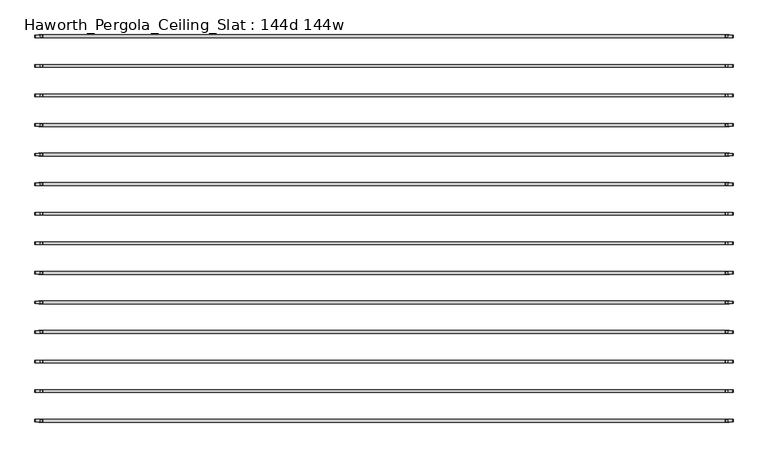
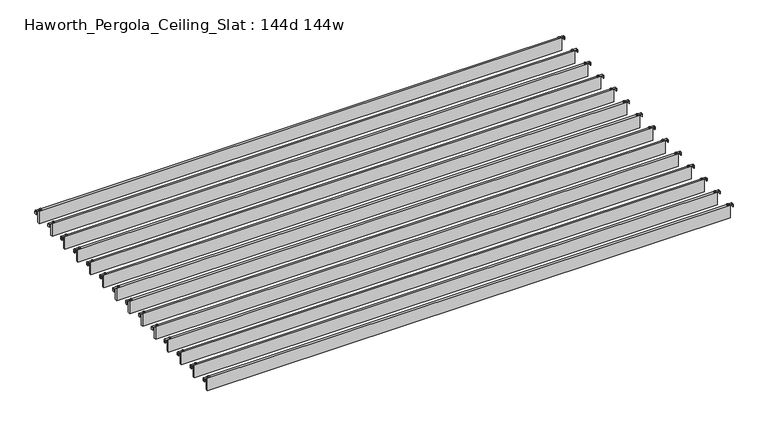
"""IFC4 building model written with IfcOpenShell, lengths in millimetres: furniture geometry, Haworth_Pergola_Ceiling_Slat : 144d 144w."""

import ifcopenshell
import ifcopenshell.guid

model = None  # the IFC model being written
_history = None  # IfcOwnerHistory: only IFC2X3 demands one
_inside = {}  # id of a spatial element -> (the spatial element, [elements in it])
_under = {}  # id of a project, library or spatial element -> (it, [spatial elements below it])
_declared = {}  # id of a project -> (the project, [libraries it declares])
_typed = {}  # id of a type object -> (the type object, [elements of that type])
_made_of = {}  # id of a material, layer set ... -> (it, [elements and type objects made of it])


def new_model(schema):
    """Start an empty IFC model of exactly this schema.

    Asked for "IFC4X3", IfcOpenShell would pick the latest addendum, in which some entities
    have other attributes; the version numbers below select the first issue.
    IFC2X3 requires an IfcOwnerHistory on every rooted entity: one is made here for all.
    """
    global model, _history
    if schema == "IFC4X3":
        model = ifcopenshell.file(schema_version=(4, 3, 0, 0))
    else:
        model = ifcopenshell.file(schema=schema)
    _inside.clear()
    _under.clear()
    _declared.clear()
    _typed.clear()
    _made_of.clear()
    _history = None
    if model.schema == "IFC2X3":
        org = make("IfcOrganization", Name="unknown")
        user = make(
            "IfcPersonAndOrganization",
            ThePerson=make("IfcPerson", FamilyName="unknown"),
            TheOrganization=org,
        )
        app = make(
            "IfcApplication",
            ApplicationDeveloper=org,
            Version="unknown",
            ApplicationFullName="unknown",
            ApplicationIdentifier="unknown",
        )
        _history = make(
            "IfcOwnerHistory",
            OwningUser=user,
            OwningApplication=app,
            ChangeAction="ADDED",
            CreationDate=0,
        )
    return model


def make(cls, **values):
    """One entity of the class cls with the attributes given. An attribute that is None is left unset."""
    return model.create_entity(
        cls, **{name: value for name, value in values.items() if value is not None}
    )


def rooted(cls, **values):
    """An entity with a GlobalId (a new one), such as an element, a storey or a relation."""
    return make(cls, GlobalId=ifcopenshell.guid.new(), OwnerHistory=_history, **values)


def si_unit(unit_type, name, prefix=None):
    """IfcSIUnit, for example si_unit("LENGTHUNIT", "METRE", prefix="MILLI")."""
    return make("IfcSIUnit", UnitType=unit_type, Prefix=prefix, Name=name)


def assignment(units):
    """IfcUnitAssignment: the units of a project."""
    return None if units is None else make("IfcUnitAssignment", Units=units)


def point(xyz):
    """IfcCartesianPoint."""
    return None if xyz is None else make("IfcCartesianPoint", Coordinates=xyz)


def direction(xyz):
    """IfcDirection."""
    return None if xyz is None else make("IfcDirection", DirectionRatios=xyz)


def frame(location, z_axis=None, x_axis=None):
    """IfcAxis2Placement3D, a coordinate frame: its origin and axes. An axis left out is left unset."""
    return make(
        "IfcAxis2Placement3D",
        Location=point(location),
        Axis=direction(z_axis),
        RefDirection=direction(x_axis),
    )


def frame_2d(location, x_axis=None):
    """IfcAxis2Placement2D, a coordinate frame in the plane: its origin and x axis."""
    return make(
        "IfcAxis2Placement2D", Location=point(location), RefDirection=direction(x_axis)
    )


def origin():
    """The frame at (0, 0, 0) with its axes left unset."""
    return frame((0.0, 0.0, 0.0))


def place(relative_to, where):
    """IfcLocalPlacement: puts the frame where relative to a parent placement (None: the world)."""
    return make(
        "IfcLocalPlacement", PlacementRelTo=relative_to, RelativePlacement=where
    )


def context(
    kind, dimensions, precision=None, world=None, true_north=None, identifier=None
):
    """IfcGeometricRepresentationContext, for example the 3D "Model" context."""
    return make(
        "IfcGeometricRepresentationContext",
        ContextIdentifier=identifier,
        ContextType=kind,
        CoordinateSpaceDimension=dimensions,
        Precision=precision,
        WorldCoordinateSystem=world,
        TrueNorth=true_north,
    )


def project(units=None, contexts=None):
    """IfcProject with its units and contexts."""
    return rooted(
        "IfcProject",
        Name="project",
        RepresentationContexts=contexts,
        UnitsInContext=assignment(units),
    )


def spatial(cls, under=None, at=None, **own):
    """A site, building, storey or space (cls), placed at a placement, below another one or the project."""
    s = rooted(cls, ObjectPlacement=at, **own)
    if under is not None:
        _under.setdefault(under.id(), (under, []))[1].append(s)
    return s


def polyline(points):
    """IfcPolyline through the points."""
    return make("IfcPolyline", Points=[point(p) for p in points])


def circle_curve(where, radius):
    """IfcCircle in the frame where."""
    return make("IfcCircle", Position=where, Radius=radius)


def trimmed(basis, trim1, trim2, sense, master):
    """IfcTrimmedCurve: the piece of a basis curve between two trims."""
    return make(
        "IfcTrimmedCurve",
        BasisCurve=basis,
        Trim1=trim1,
        Trim2=trim2,
        SenseAgreement=sense,
        MasterRepresentation=master,
    )


def segment(curve, same_sense, transition):
    """IfcCompositeCurveSegment."""
    return make(
        "IfcCompositeCurveSegment",
        Transition=transition,
        SameSense=same_sense,
        ParentCurve=curve,
    )


def composite_curve(segments, self_intersect=None):
    """IfcCompositeCurve: segments joined end to end."""
    return make("IfcCompositeCurve", Segments=segments, SelfIntersect=self_intersect)


def outline(outer, holes=None, kind="AREA"):
    """IfcArbitraryClosedProfileDef: a profile drawn as a closed curve; with holes, ...WithVoids."""
    if holes is None:
        return make("IfcArbitraryClosedProfileDef", ProfileType=kind, OuterCurve=outer)
    return make(
        "IfcArbitraryProfileDefWithVoids",
        ProfileType=kind,
        OuterCurve=outer,
        InnerCurves=holes,
    )


def extrude(swept, where, along, depth):
    """IfcExtrudedAreaSolid: the profile swept, set in the frame where, extruded along a direction by depth."""
    return make(
        "IfcExtrudedAreaSolid",
        SweptArea=swept,
        Position=where,
        ExtrudedDirection=direction(along),
        Depth=depth,
    )


def shape(context_of_items, identifier, shape_type, items):
    """IfcShapeRepresentation: the items that make up one representation, for example the "Body"."""
    return make(
        "IfcShapeRepresentation",
        ContextOfItems=context_of_items,
        RepresentationIdentifier=identifier,
        RepresentationType=shape_type,
        Items=items,
    )


def source(mapping_origin, context_of_items, identifier, shape_type, items):
    """IfcRepresentationMap: a shape defined once, which mapped items show again and again."""
    return make(
        "IfcRepresentationMap",
        MappingOrigin=mapping_origin,
        MappedRepresentation=shape(context_of_items, identifier, shape_type, items),
    )


def transform(
    local_origin,
    x_axis=None,
    y_axis=None,
    z_axis=None,
    scale=None,
    scale2=None,
    scale3=None,
    uniform=True,
):
    """IfcCartesianTransformationOperator3D, or its non-uniform kind. x_axis, y_axis, z_axis: its Axis1, 2, 3."""
    if uniform:
        return make(
            "IfcCartesianTransformationOperator3D",
            Axis1=direction(x_axis),
            Axis2=direction(y_axis),
            LocalOrigin=point(local_origin),
            Scale=scale,
            Axis3=direction(z_axis),
        )
    return make(
        "IfcCartesianTransformationOperator3DnonUniform",
        Axis1=direction(x_axis),
        Axis2=direction(y_axis),
        LocalOrigin=point(local_origin),
        Scale=scale,
        Axis3=direction(z_axis),
        Scale2=scale2,
        Scale3=scale3,
    )


def mapped(mapping_source, mapping_target):
    """IfcMappedItem: shows the shape of a source again, moved by a transform."""
    return make(
        "IfcMappedItem", MappingSource=mapping_source, MappingTarget=mapping_target
    )


def made_of(thing, what):
    """Note that an element or type object is made of a material, layer set ...; save() writes the relation."""
    if what is not None:
        _made_of.setdefault(what.id(), (what, []))[1].append(thing)
    return thing


def element(
    cls,
    number,
    at=None,
    inside=None,
    cuts=None,
    type_object=None,
    material=None,
    context=None,
    identifier="Body",
    shape_type=None,
    held_by="IfcProductDefinitionShape",
    body=None,
    shapes=None,
    **own,
):
    """One element of the class cls, such as IfcWall. Its Tag is "e" and its number.

    at: its placement. inside: the storey or other place that contains it. cuts: it is an
    opening in that element (IfcRelVoidsElement). A single representation is given by context,
    identifier, shape_type and body (its items); several are given by shapes. held_by: the class
    of the entity that holds the representations. save() writes the other relations.
    """
    e = rooted(cls, Tag="e%d" % number, ObjectPlacement=at, **own)
    if body is not None:
        shapes = [shape(context, identifier, shape_type, body)]
    if shapes is not None:
        e.Representation = make(held_by, Representations=shapes)
    if inside is not None:
        _inside.setdefault(inside.id(), (inside, []))[1].append(e)
    if cuts is not None:
        rooted(
            "IfcRelVoidsElement", RelatingBuildingElement=cuts, RelatedOpeningElement=e
        )
    if type_object is not None:
        _typed.setdefault(type_object.id(), (type_object, []))[1].append(e)
    return made_of(e, material)


def aggregate(whole, parts):
    """IfcRelAggregates: a whole, such as a stair, and the parts it consists of."""
    return rooted("IfcRelAggregates", RelatingObject=whole, RelatedObjects=parts)


def save(model, path):
    """Write the relations noted so far, then the file.

    IfcRelAggregates (storeys below a building ...), IfcRelContainedInSpatialStructure (elements
    in a storey), IfcRelDefinesByType, IfcRelAssociatesMaterial and IfcRelDeclares: one each for
    every whole, place, type object, material and project.
    """
    for whole, parts in _under.values():
        aggregate(whole, parts)
    for where, things in _inside.values():
        rooted(
            "IfcRelContainedInSpatialStructure",
            RelatedElements=things,
            RelatingStructure=where,
        )
    for kind, things in _typed.values():
        rooted("IfcRelDefinesByType", RelatedObjects=things, RelatingType=kind)
    for what, things in _made_of.values():
        rooted("IfcRelAssociatesMaterial", RelatedObjects=things, RelatingMaterial=what)
    for by, libraries in _declared.values():
        rooted("IfcRelDeclares", RelatingContext=by, RelatedDefinitions=libraries)
    model.write(path)


def haworth_pergola_ceiling_slat_144d_144w_cf5a7e63(model_context):
    return source(origin(), model_context, "Body", "SweptSolid", [
        extrude(outline(composite_curve([segment(trimmed(circle_curve(frame_2d((1853.2, 307.8756087)), 5.9838099), [point((1847.2161901, 307.8756087))], [point((1859.1838099, 307.8756087))], False, "CARTESIAN"), True, "CONTINUOUS"), segment(trimmed(circle_curve(frame_2d((1853.2, 307.8756087)), 5.9838099), [point((1859.1838099, 307.8756087))], [point((1847.2161901, 307.8756087))], False, "CARTESIAN"), True, "CONTINUOUS")], self_intersect=False)), frame((0.0, 0.0, 2440.9329992), z_axis=(0.0, 0.0, 1.0), x_axis=(1.0, 0.0, 0.0)), (0.0, 0.0, 1.0), 3.4400008),
        extrude(outline(composite_curve([segment(trimmed(circle_curve(frame_2d((-1777.0, 307.8756087)), 5.9838099), [point((-1771.0161901, 307.8756087))], [point((-1782.9838099, 307.8756087))], False, "CARTESIAN"), True, "CONTINUOUS"), segment(trimmed(circle_curve(frame_2d((-1777.0, 307.8756087)), 5.9838099), [point((-1782.9838099, 307.8756087))], [point((-1771.0161901, 307.8756087))], False, "CARTESIAN"), True, "CONTINUOUS")], self_intersect=False)), frame((0.0, 0.0, 2440.9329992), z_axis=(0.0, 0.0, 1.0), x_axis=(1.0, 0.0, 0.0)), (0.0, 0.0, 1.0), 3.4400008),
        extrude(outline(composite_curve([segment(polyline([(2419.2231711, 1887.36), (2437.2499992, 1887.36)]), True, "CONTINUOUS"), segment(trimmed(circle_curve(frame_2d((2437.2499992, 1883.677)), 3.683), [point((2437.2499992, 1887.36))], [point((2440.9329992, 1883.677))], False, "CARTESIAN"), True, "CONTINUOUS"), segment(polyline([(2440.9329992, 1883.677), (2440.9329992, 1846.7), (2438.2729997, 1846.7), (2438.2729997, 1883.6905568)]), True, "CONTINUOUS"), segment(trimmed(circle_curve(frame_2d((2437.2635571, 1883.6905568)), 1.0094425), [point((2438.2729997, 1883.6905568))], [point((2437.2635571, 1884.6999993))], True, "CARTESIAN"), True, "CONTINUOUS"), segment(polyline([(2437.2635571, 1884.6999993), (2419.2231711, 1884.6999993), (2419.2231711, 1887.36)]), True, "CONTINUOUS")], self_intersect=False)), frame((0.0, 301.3826084, 0.0), z_axis=(0.0, 1.0, 0.0), x_axis=(0.0, 0.0, 1.0)), (0.0, 0.0, 1.0), 13.0),
        extrude(outline(composite_curve([segment(polyline([(2419.2231711, -1811.16), (2419.2231711, -1808.4999993), (2437.2635571, -1808.4999993)]), True, "CONTINUOUS"), segment(trimmed(circle_curve(frame_2d((2437.2635571, -1807.4905568)), 1.0094425), [point((2437.2635571, -1808.4999993))], [point((2438.2729997, -1807.4905568))], True, "CARTESIAN"), True, "CONTINUOUS"), segment(polyline([(2438.2729997, -1807.4905568), (2438.2729997, -1770.5), (2440.9329992, -1770.5), (2440.9329992, -1807.477)]), True, "CONTINUOUS"), segment(trimmed(circle_curve(frame_2d((2437.2499992, -1807.477)), 3.683), [point((2440.9329992, -1807.477))], [point((2437.2499992, -1811.16))], False, "CARTESIAN"), True, "CONTINUOUS"), segment(polyline([(2437.2499992, -1811.16), (2419.2231711, -1811.16)]), True, "CONTINUOUS")], self_intersect=False)), frame((0.0, 301.3826084, 0.0), z_axis=(0.0, 1.0, 0.0), x_axis=(0.0, 0.0, 1.0)), (0.0, 0.0, 1.0), 13.0),
        extrude(outline(polyline([(-1790.7, 300.3826087), (-1790.7, 315.3686087), (1866.9, 315.3686087), (1866.9, 300.3826087), (-1790.7, 300.3826087)])), frame((0.0, 0.0, 2346.198), z_axis=(0.0, 0.0, 1.0), x_axis=(1.0, 0.0, 0.0)), (0.0, 0.0, 1.0), 92.202),
        extrude(outline(composite_curve([segment(trimmed(circle_curve(frame_2d((1853.2, 151.0582174)), 5.9838099), [point((1847.2161901, 151.0582174))], [point((1859.1838099, 151.0582174))], False, "CARTESIAN"), True, "CONTINUOUS"), segment(trimmed(circle_curve(frame_2d((1853.2, 151.0582174)), 5.9838099), [point((1859.1838099, 151.0582174))], [point((1847.2161901, 151.0582174))], False, "CARTESIAN"), True, "CONTINUOUS")], self_intersect=False)), frame((0.0, 0.0, 2440.9329992), z_axis=(0.0, 0.0, 1.0), x_axis=(1.0, 0.0, 0.0)), (0.0, 0.0, 1.0), 3.4400008),
        extrude(outline(composite_curve([segment(trimmed(circle_curve(frame_2d((-1777.0, 151.0582174)), 5.9838099), [point((-1771.0161901, 151.0582174))], [point((-1782.9838099, 151.0582174))], False, "CARTESIAN"), True, "CONTINUOUS"), segment(trimmed(circle_curve(frame_2d((-1777.0, 151.0582174)), 5.9838099), [point((-1782.9838099, 151.0582174))], [point((-1771.0161901, 151.0582174))], False, "CARTESIAN"), True, "CONTINUOUS")], self_intersect=False)), frame((0.0, 0.0, 2440.9329992), z_axis=(0.0, 0.0, 1.0), x_axis=(1.0, 0.0, 0.0)), (0.0, 0.0, 1.0), 3.4400008),
        extrude(outline(composite_curve([segment(polyline([(2419.2231711, 1887.36), (2437.2499992, 1887.36)]), True, "CONTINUOUS"), segment(trimmed(circle_curve(frame_2d((2437.2499992, 1883.677)), 3.683), [point((2437.2499992, 1887.36))], [point((2440.9329992, 1883.677))], False, "CARTESIAN"), True, "CONTINUOUS"), segment(polyline([(2440.9329992, 1883.677), (2440.9329992, 1846.7), (2438.2729997, 1846.7), (2438.2729997, 1883.6905568)]), True, "CONTINUOUS"), segment(trimmed(circle_curve(frame_2d((2437.2635571, 1883.6905568)), 1.0094425), [point((2438.2729997, 1883.6905568))], [point((2437.2635571, 1884.6999993))], True, "CARTESIAN"), True, "CONTINUOUS"), segment(polyline([(2437.2635571, 1884.6999993), (2419.2231711, 1884.6999993), (2419.2231711, 1887.36)]), True, "CONTINUOUS")], self_intersect=False)), frame((0.0, 144.5652171, 0.0), z_axis=(0.0, 1.0, 0.0), x_axis=(0.0, 0.0, 1.0)), (0.0, 0.0, 1.0), 13.0),
        extrude(outline(composite_curve([segment(polyline([(2419.2231711, -1811.16), (2419.2231711, -1808.4999993), (2437.2635571, -1808.4999993)]), True, "CONTINUOUS"), segment(trimmed(circle_curve(frame_2d((2437.2635571, -1807.4905568)), 1.0094425), [point((2437.2635571, -1808.4999993))], [point((2438.2729997, -1807.4905568))], True, "CARTESIAN"), True, "CONTINUOUS"), segment(polyline([(2438.2729997, -1807.4905568), (2438.2729997, -1770.5), (2440.9329992, -1770.5), (2440.9329992, -1807.477)]), True, "CONTINUOUS"), segment(trimmed(circle_curve(frame_2d((2437.2499992, -1807.477)), 3.683), [point((2440.9329992, -1807.477))], [point((2437.2499992, -1811.16))], False, "CARTESIAN"), True, "CONTINUOUS"), segment(polyline([(2437.2499992, -1811.16), (2419.2231711, -1811.16)]), True, "CONTINUOUS")], self_intersect=False)), frame((0.0, 144.5652171, 0.0), z_axis=(0.0, 1.0, 0.0), x_axis=(0.0, 0.0, 1.0)), (0.0, 0.0, 1.0), 13.0),
        extrude(outline(polyline([(-1790.7, 143.5652174), (-1790.7, 158.5512174), (1866.9, 158.5512174), (1866.9, 143.5652174), (-1790.7, 143.5652174)])), frame((0.0, 0.0, 2346.198), z_axis=(0.0, 0.0, 1.0), x_axis=(1.0, 0.0, 0.0)), (0.0, 0.0, 1.0), 92.202),
        extrude(outline(composite_curve([segment(trimmed(circle_curve(frame_2d((1853.2, -5.7591739)), 5.9838099), [point((1847.2161901, -5.7591739))], [point((1859.1838099, -5.7591739))], False, "CARTESIAN"), True, "CONTINUOUS"), segment(trimmed(circle_curve(frame_2d((1853.2, -5.7591739)), 5.9838099), [point((1859.1838099, -5.7591739))], [point((1847.2161901, -5.7591739))], False, "CARTESIAN"), True, "CONTINUOUS")], self_intersect=False)), frame((0.0, 0.0, 2440.9329992), z_axis=(0.0, 0.0, 1.0), x_axis=(1.0, 0.0, 0.0)), (0.0, 0.0, 1.0), 3.4400008),
        extrude(outline(composite_curve([segment(trimmed(circle_curve(frame_2d((-1777.0, -5.7591739)), 5.9838099), [point((-1771.0161901, -5.7591739))], [point((-1782.9838099, -5.7591739))], False, "CARTESIAN"), True, "CONTINUOUS"), segment(trimmed(circle_curve(frame_2d((-1777.0, -5.7591739)), 5.9838099), [point((-1782.9838099, -5.7591739))], [point((-1771.0161901, -5.7591739))], False, "CARTESIAN"), True, "CONTINUOUS")], self_intersect=False)), frame((0.0, 0.0, 2440.9329992), z_axis=(0.0, 0.0, 1.0), x_axis=(1.0, 0.0, 0.0)), (0.0, 0.0, 1.0), 3.4400008),
        extrude(outline(composite_curve([segment(polyline([(2419.2231711, 1887.36), (2437.2499992, 1887.36)]), True, "CONTINUOUS"), segment(trimmed(circle_curve(frame_2d((2437.2499992, 1883.677)), 3.683), [point((2437.2499992, 1887.36))], [point((2440.9329992, 1883.677))], False, "CARTESIAN"), True, "CONTINUOUS"), segment(polyline([(2440.9329992, 1883.677), (2440.9329992, 1846.7), (2438.2729997, 1846.7), (2438.2729997, 1883.6905568)]), True, "CONTINUOUS"), segment(trimmed(circle_curve(frame_2d((2437.2635571, 1883.6905568)), 1.0094425), [point((2438.2729997, 1883.6905568))], [point((2437.2635571, 1884.6999993))], True, "CARTESIAN"), True, "CONTINUOUS"), segment(polyline([(2437.2635571, 1884.6999993), (2419.2231711, 1884.6999993), (2419.2231711, 1887.36)]), True, "CONTINUOUS")], self_intersect=False)), frame((0.0, -12.2521743, 0.0), z_axis=(0.0, 1.0, 0.0), x_axis=(0.0, 0.0, 1.0)), (0.0, 0.0, 1.0), 13.0),
        extrude(outline(composite_curve([segment(polyline([(2419.2231711, -1811.16), (2419.2231711, -1808.4999993), (2437.2635571, -1808.4999993)]), True, "CONTINUOUS"), segment(trimmed(circle_curve(frame_2d((2437.2635571, -1807.4905568)), 1.0094425), [point((2437.2635571, -1808.4999993))], [point((2438.2729997, -1807.4905568))], True, "CARTESIAN"), True, "CONTINUOUS"), segment(polyline([(2438.2729997, -1807.4905568), (2438.2729997, -1770.5), (2440.9329992, -1770.5), (2440.9329992, -1807.477)]), True, "CONTINUOUS"), segment(trimmed(circle_curve(frame_2d((2437.2499992, -1807.477)), 3.683), [point((2440.9329992, -1807.477))], [point((2437.2499992, -1811.16))], False, "CARTESIAN"), True, "CONTINUOUS"), segment(polyline([(2437.2499992, -1811.16), (2419.2231711, -1811.16)]), True, "CONTINUOUS")], self_intersect=False)), frame((0.0, -12.2521743, 0.0), z_axis=(0.0, 1.0, 0.0), x_axis=(0.0, 0.0, 1.0)), (0.0, 0.0, 1.0), 13.0),
        extrude(outline(polyline([(-1790.7, -13.2521739), (-1790.7, 1.7338261), (1866.9, 1.7338261), (1866.9, -13.2521739), (-1790.7, -13.2521739)])), frame((0.0, 0.0, 2346.198), z_axis=(0.0, 0.0, 1.0), x_axis=(1.0, 0.0, 0.0)), (0.0, 0.0, 1.0), 92.202),
        extrude(outline(composite_curve([segment(trimmed(circle_curve(frame_2d((1853.2, -162.5765652)), 5.9838099), [point((1847.2161901, -162.5765652))], [point((1859.1838099, -162.5765652))], False, "CARTESIAN"), True, "CONTINUOUS"), segment(trimmed(circle_curve(frame_2d((1853.2, -162.5765652)), 5.9838099), [point((1859.1838099, -162.5765652))], [point((1847.2161901, -162.5765652))], False, "CARTESIAN"), True, "CONTINUOUS")], self_intersect=False)), frame((0.0, 0.0, 2440.9329992), z_axis=(0.0, 0.0, 1.0), x_axis=(1.0, 0.0, 0.0)), (0.0, 0.0, 1.0), 3.4400008),
        extrude(outline(composite_curve([segment(trimmed(circle_curve(frame_2d((-1777.0, -162.5765652)), 5.9838099), [point((-1771.0161901, -162.5765652))], [point((-1782.9838099, -162.5765652))], False, "CARTESIAN"), True, "CONTINUOUS"), segment(trimmed(circle_curve(frame_2d((-1777.0, -162.5765652)), 5.9838099), [point((-1782.9838099, -162.5765652))], [point((-1771.0161901, -162.5765652))], False, "CARTESIAN"), True, "CONTINUOUS")], self_intersect=False)), frame((0.0, 0.0, 2440.9329992), z_axis=(0.0, 0.0, 1.0), x_axis=(1.0, 0.0, 0.0)), (0.0, 0.0, 1.0), 3.4400008),
        extrude(outline(composite_curve([segment(polyline([(2419.2231711, 1887.36), (2437.2499992, 1887.36)]), True, "CONTINUOUS"), segment(trimmed(circle_curve(frame_2d((2437.2499992, 1883.677)), 3.683), [point((2437.2499992, 1887.36))], [point((2440.9329992, 1883.677))], False, "CARTESIAN"), True, "CONTINUOUS"), segment(polyline([(2440.9329992, 1883.677), (2440.9329992, 1846.7), (2438.2729997, 1846.7), (2438.2729997, 1883.6905568)]), True, "CONTINUOUS"), segment(trimmed(circle_curve(frame_2d((2437.2635571, 1883.6905568)), 1.0094425), [point((2438.2729997, 1883.6905568))], [point((2437.2635571, 1884.6999993))], True, "CARTESIAN"), True, "CONTINUOUS"), segment(polyline([(2437.2635571, 1884.6999993), (2419.2231711, 1884.6999993), (2419.2231711, 1887.36)]), True, "CONTINUOUS")], self_intersect=False)), frame((0.0, -169.0695656, 0.0), z_axis=(0.0, 1.0, 0.0), x_axis=(0.0, 0.0, 1.0)), (0.0, 0.0, 1.0), 13.0),
        extrude(outline(composite_curve([segment(polyline([(2419.2231711, -1811.16), (2419.2231711, -1808.4999993), (2437.2635571, -1808.4999993)]), True, "CONTINUOUS"), segment(trimmed(circle_curve(frame_2d((2437.2635571, -1807.4905568)), 1.0094425), [point((2437.2635571, -1808.4999993))], [point((2438.2729997, -1807.4905568))], True, "CARTESIAN"), True, "CONTINUOUS"), segment(polyline([(2438.2729997, -1807.4905568), (2438.2729997, -1770.5), (2440.9329992, -1770.5), (2440.9329992, -1807.477)]), True, "CONTINUOUS"), segment(trimmed(circle_curve(frame_2d((2437.2499992, -1807.477)), 3.683), [point((2440.9329992, -1807.477))], [point((2437.2499992, -1811.16))], False, "CARTESIAN"), True, "CONTINUOUS"), segment(polyline([(2437.2499992, -1811.16), (2419.2231711, -1811.16)]), True, "CONTINUOUS")], self_intersect=False)), frame((0.0, -169.0695656, 0.0), z_axis=(0.0, 1.0, 0.0), x_axis=(0.0, 0.0, 1.0)), (0.0, 0.0, 1.0), 13.0),
        extrude(outline(polyline([(-1790.7, -170.0695652), (-1790.7, -155.0835652), (1866.9, -155.0835652), (1866.9, -170.0695652), (-1790.7, -170.0695652)])), frame((0.0, 0.0, 2346.198), z_axis=(0.0, 0.0, 1.0), x_axis=(1.0, 0.0, 0.0)), (0.0, 0.0, 1.0), 92.202),
        extrude(outline(composite_curve([segment(trimmed(circle_curve(frame_2d((1853.2, -319.3939565)), 5.9838099), [point((1847.2161901, -319.3939565))], [point((1859.1838099, -319.3939565))], False, "CARTESIAN"), True, "CONTINUOUS"), segment(trimmed(circle_curve(frame_2d((1853.2, -319.3939565)), 5.9838099), [point((1859.1838099, -319.3939565))], [point((1847.2161901, -319.3939565))], False, "CARTESIAN"), True, "CONTINUOUS")], self_intersect=False)), frame((0.0, 0.0, 2440.9329992), z_axis=(0.0, 0.0, 1.0), x_axis=(1.0, 0.0, 0.0)), (0.0, 0.0, 1.0), 3.4400008),
        extrude(outline(composite_curve([segment(trimmed(circle_curve(frame_2d((-1777.0, -319.3939565)), 5.9838099), [point((-1771.0161901, -319.3939565))], [point((-1782.9838099, -319.3939565))], False, "CARTESIAN"), True, "CONTINUOUS"), segment(trimmed(circle_curve(frame_2d((-1777.0, -319.3939565)), 5.9838099), [point((-1782.9838099, -319.3939565))], [point((-1771.0161901, -319.3939565))], False, "CARTESIAN"), True, "CONTINUOUS")], self_intersect=False)), frame((0.0, 0.0, 2440.9329992), z_axis=(0.0, 0.0, 1.0), x_axis=(1.0, 0.0, 0.0)), (0.0, 0.0, 1.0), 3.4400008),
        extrude(outline(composite_curve([segment(polyline([(2419.2231711, 1887.36), (2437.2499992, 1887.36)]), True, "CONTINUOUS"), segment(trimmed(circle_curve(frame_2d((2437.2499992, 1883.677)), 3.683), [point((2437.2499992, 1887.36))], [point((2440.9329992, 1883.677))], False, "CARTESIAN"), True, "CONTINUOUS"), segment(polyline([(2440.9329992, 1883.677), (2440.9329992, 1846.7), (2438.2729997, 1846.7), (2438.2729997, 1883.6905568)]), True, "CONTINUOUS"), segment(trimmed(circle_curve(frame_2d((2437.2635571, 1883.6905568)), 1.0094425), [point((2438.2729997, 1883.6905568))], [point((2437.2635571, 1884.6999993))], True, "CARTESIAN"), True, "CONTINUOUS"), segment(polyline([(2437.2635571, 1884.6999993), (2419.2231711, 1884.6999993), (2419.2231711, 1887.36)]), True, "CONTINUOUS")], self_intersect=False)), frame((0.0, -325.8869569, 0.0), z_axis=(0.0, 1.0, 0.0), x_axis=(0.0, 0.0, 1.0)), (0.0, 0.0, 1.0), 13.0),
        extrude(outline(composite_curve([segment(polyline([(2419.2231711, -1811.16), (2419.2231711, -1808.4999993), (2437.2635571, -1808.4999993)]), True, "CONTINUOUS"), segment(trimmed(circle_curve(frame_2d((2437.2635571, -1807.4905568)), 1.0094425), [point((2437.2635571, -1808.4999993))], [point((2438.2729997, -1807.4905568))], True, "CARTESIAN"), True, "CONTINUOUS"), segment(polyline([(2438.2729997, -1807.4905568), (2438.2729997, -1770.5), (2440.9329992, -1770.5), (2440.9329992, -1807.477)]), True, "CONTINUOUS"), segment(trimmed(circle_curve(frame_2d((2437.2499992, -1807.477)), 3.683), [point((2440.9329992, -1807.477))], [point((2437.2499992, -1811.16))], False, "CARTESIAN"), True, "CONTINUOUS"), segment(polyline([(2437.2499992, -1811.16), (2419.2231711, -1811.16)]), True, "CONTINUOUS")], self_intersect=False)), frame((0.0, -325.8869569, 0.0), z_axis=(0.0, 1.0, 0.0), x_axis=(0.0, 0.0, 1.0)), (0.0, 0.0, 1.0), 13.0),
        extrude(outline(polyline([(-1790.7, -326.8869565), (-1790.7, -311.9009565), (1866.9, -311.9009565), (1866.9, -326.8869565), (-1790.7, -326.8869565)])), frame((0.0, 0.0, 2346.198), z_axis=(0.0, 0.0, 1.0), x_axis=(1.0, 0.0, 0.0)), (0.0, 0.0, 1.0), 92.202),
        extrude(outline(composite_curve([segment(trimmed(circle_curve(frame_2d((1853.2, -476.2113478)), 5.9838099), [point((1847.2161901, -476.2113478))], [point((1859.1838099, -476.2113478))], False, "CARTESIAN"), True, "CONTINUOUS"), segment(trimmed(circle_curve(frame_2d((1853.2, -476.2113478)), 5.9838099), [point((1859.1838099, -476.2113478))], [point((1847.2161901, -476.2113478))], False, "CARTESIAN"), True, "CONTINUOUS")], self_intersect=False)), frame((0.0, 0.0, 2440.9329992), z_axis=(0.0, 0.0, 1.0), x_axis=(1.0, 0.0, 0.0)), (0.0, 0.0, 1.0), 3.4400008),
        extrude(outline(composite_curve([segment(trimmed(circle_curve(frame_2d((-1777.0, -476.2113478)), 5.9838099), [point((-1771.0161901, -476.2113478))], [point((-1782.9838099, -476.2113478))], False, "CARTESIAN"), True, "CONTINUOUS"), segment(trimmed(circle_curve(frame_2d((-1777.0, -476.2113478)), 5.9838099), [point((-1782.9838099, -476.2113478))], [point((-1771.0161901, -476.2113478))], False, "CARTESIAN"), True, "CONTINUOUS")], self_intersect=False)), frame((0.0, 0.0, 2440.9329992), z_axis=(0.0, 0.0, 1.0), x_axis=(1.0, 0.0, 0.0)), (0.0, 0.0, 1.0), 3.4400008),
        extrude(outline(composite_curve([segment(polyline([(2419.2231711, 1887.36), (2437.2499992, 1887.36)]), True, "CONTINUOUS"), segment(trimmed(circle_curve(frame_2d((2437.2499992, 1883.677)), 3.683), [point((2437.2499992, 1887.36))], [point((2440.9329992, 1883.677))], False, "CARTESIAN"), True, "CONTINUOUS"), segment(polyline([(2440.9329992, 1883.677), (2440.9329992, 1846.7), (2438.2729997, 1846.7), (2438.2729997, 1883.6905568)]), True, "CONTINUOUS"), segment(trimmed(circle_curve(frame_2d((2437.2635571, 1883.6905568)), 1.0094425), [point((2438.2729997, 1883.6905568))], [point((2437.2635571, 1884.6999993))], True, "CARTESIAN"), True, "CONTINUOUS"), segment(polyline([(2437.2635571, 1884.6999993), (2419.2231711, 1884.6999993), (2419.2231711, 1887.36)]), True, "CONTINUOUS")], self_intersect=False)), frame((0.0, -482.7043482, 0.0), z_axis=(0.0, 1.0, 0.0), x_axis=(0.0, 0.0, 1.0)), (0.0, 0.0, 1.0), 13.0),
        extrude(outline(composite_curve([segment(polyline([(2419.2231711, -1811.16), (2419.2231711, -1808.4999993), (2437.2635571, -1808.4999993)]), True, "CONTINUOUS"), segment(trimmed(circle_curve(frame_2d((2437.2635571, -1807.4905568)), 1.0094425), [point((2437.2635571, -1808.4999993))], [point((2438.2729997, -1807.4905568))], True, "CARTESIAN"), True, "CONTINUOUS"), segment(polyline([(2438.2729997, -1807.4905568), (2438.2729997, -1770.5), (2440.9329992, -1770.5), (2440.9329992, -1807.477)]), True, "CONTINUOUS"), segment(trimmed(circle_curve(frame_2d((2437.2499992, -1807.477)), 3.683), [point((2440.9329992, -1807.477))], [point((2437.2499992, -1811.16))], False, "CARTESIAN"), True, "CONTINUOUS"), segment(polyline([(2437.2499992, -1811.16), (2419.2231711, -1811.16)]), True, "CONTINUOUS")], self_intersect=False)), frame((0.0, -482.7043482, 0.0), z_axis=(0.0, 1.0, 0.0), x_axis=(0.0, 0.0, 1.0)), (0.0, 0.0, 1.0), 13.0),
        extrude(outline(polyline([(-1790.7, -483.7043478), (-1790.7, -468.7183478), (1866.9, -468.7183478), (1866.9, -483.7043478), (-1790.7, -483.7043478)])), frame((0.0, 0.0, 2346.198), z_axis=(0.0, 0.0, 1.0), x_axis=(1.0, 0.0, 0.0)), (0.0, 0.0, 1.0), 92.202),
        extrude(outline(composite_curve([segment(trimmed(circle_curve(frame_2d((1853.2, -633.0287391)), 5.9838099), [point((1847.2161901, -633.0287391))], [point((1859.1838099, -633.0287391))], False, "CARTESIAN"), True, "CONTINUOUS"), segment(trimmed(circle_curve(frame_2d((1853.2, -633.0287391)), 5.9838099), [point((1859.1838099, -633.0287391))], [point((1847.2161901, -633.0287391))], False, "CARTESIAN"), True, "CONTINUOUS")], self_intersect=False)), frame((0.0, 0.0, 2440.9329992), z_axis=(0.0, 0.0, 1.0), x_axis=(1.0, 0.0, 0.0)), (0.0, 0.0, 1.0), 3.4400008),
        extrude(outline(composite_curve([segment(trimmed(circle_curve(frame_2d((-1777.0, -633.0287391)), 5.9838099), [point((-1771.0161901, -633.0287391))], [point((-1782.9838099, -633.0287391))], False, "CARTESIAN"), True, "CONTINUOUS"), segment(trimmed(circle_curve(frame_2d((-1777.0, -633.0287391)), 5.9838099), [point((-1782.9838099, -633.0287391))], [point((-1771.0161901, -633.0287391))], False, "CARTESIAN"), True, "CONTINUOUS")], self_intersect=False)), frame((0.0, 0.0, 2440.9329992), z_axis=(0.0, 0.0, 1.0), x_axis=(1.0, 0.0, 0.0)), (0.0, 0.0, 1.0), 3.4400008),
        extrude(outline(composite_curve([segment(polyline([(2419.2231711, 1887.36), (2437.2499992, 1887.36)]), True, "CONTINUOUS"), segment(trimmed(circle_curve(frame_2d((2437.2499992, 1883.677)), 3.683), [point((2437.2499992, 1887.36))], [point((2440.9329992, 1883.677))], False, "CARTESIAN"), True, "CONTINUOUS"), segment(polyline([(2440.9329992, 1883.677), (2440.9329992, 1846.7), (2438.2729997, 1846.7), (2438.2729997, 1883.6905568)]), True, "CONTINUOUS"), segment(trimmed(circle_curve(frame_2d((2437.2635571, 1883.6905568)), 1.0094425), [point((2438.2729997, 1883.6905568))], [point((2437.2635571, 1884.6999993))], True, "CARTESIAN"), True, "CONTINUOUS"), segment(polyline([(2437.2635571, 1884.6999993), (2419.2231711, 1884.6999993), (2419.2231711, 1887.36)]), True, "CONTINUOUS")], self_intersect=False)), frame((0.0, -639.5217395, 0.0), z_axis=(0.0, 1.0, 0.0), x_axis=(0.0, 0.0, 1.0)), (0.0, 0.0, 1.0), 13.0),
        extrude(outline(composite_curve([segment(polyline([(2419.2231711, -1811.16), (2419.2231711, -1808.4999993), (2437.2635571, -1808.4999993)]), True, "CONTINUOUS"), segment(trimmed(circle_curve(frame_2d((2437.2635571, -1807.4905568)), 1.0094425), [point((2437.2635571, -1808.4999993))], [point((2438.2729997, -1807.4905568))], True, "CARTESIAN"), True, "CONTINUOUS"), segment(polyline([(2438.2729997, -1807.4905568), (2438.2729997, -1770.5), (2440.9329992, -1770.5), (2440.9329992, -1807.477)]), True, "CONTINUOUS"), segment(trimmed(circle_curve(frame_2d((2437.2499992, -1807.477)), 3.683), [point((2440.9329992, -1807.477))], [point((2437.2499992, -1811.16))], False, "CARTESIAN"), True, "CONTINUOUS"), segment(polyline([(2437.2499992, -1811.16), (2419.2231711, -1811.16)]), True, "CONTINUOUS")], self_intersect=False)), frame((0.0, -639.5217395, 0.0), z_axis=(0.0, 1.0, 0.0), x_axis=(0.0, 0.0, 1.0)), (0.0, 0.0, 1.0), 13.0),
        extrude(outline(polyline([(-1790.7, -640.5217391), (-1790.7, -625.5357391), (1866.9, -625.5357391), (1866.9, -640.5217391), (-1790.7, -640.5217391)])), frame((0.0, 0.0, 2346.198), z_axis=(0.0, 0.0, 1.0), x_axis=(1.0, 0.0, 0.0)), (0.0, 0.0, 1.0), 92.202),
        extrude(outline(composite_curve([segment(trimmed(circle_curve(frame_2d((1853.2, -789.8461304)), 5.9838099), [point((1847.2161901, -789.8461304))], [point((1859.1838099, -789.8461304))], False, "CARTESIAN"), True, "CONTINUOUS"), segment(trimmed(circle_curve(frame_2d((1853.2, -789.8461304)), 5.9838099), [point((1859.1838099, -789.8461304))], [point((1847.2161901, -789.8461304))], False, "CARTESIAN"), True, "CONTINUOUS")], self_intersect=False)), frame((0.0, 0.0, 2440.9329992), z_axis=(0.0, 0.0, 1.0), x_axis=(1.0, 0.0, 0.0)), (0.0, 0.0, 1.0), 3.4400008),
        extrude(outline(composite_curve([segment(trimmed(circle_curve(frame_2d((-1777.0, -789.8461304)), 5.9838099), [point((-1771.0161901, -789.8461304))], [point((-1782.9838099, -789.8461304))], False, "CARTESIAN"), True, "CONTINUOUS"), segment(trimmed(circle_curve(frame_2d((-1777.0, -789.8461304)), 5.9838099), [point((-1782.9838099, -789.8461304))], [point((-1771.0161901, -789.8461304))], False, "CARTESIAN"), True, "CONTINUOUS")], self_intersect=False)), frame((0.0, 0.0, 2440.9329992), z_axis=(0.0, 0.0, 1.0), x_axis=(1.0, 0.0, 0.0)), (0.0, 0.0, 1.0), 3.4400008),
        extrude(outline(composite_curve([segment(polyline([(2419.2231711, 1887.36), (2437.2499992, 1887.36)]), True, "CONTINUOUS"), segment(trimmed(circle_curve(frame_2d((2437.2499992, 1883.677)), 3.683), [point((2437.2499992, 1887.36))], [point((2440.9329992, 1883.677))], False, "CARTESIAN"), True, "CONTINUOUS"), segment(polyline([(2440.9329992, 1883.677), (2440.9329992, 1846.7), (2438.2729997, 1846.7), (2438.2729997, 1883.6905568)]), True, "CONTINUOUS"), segment(trimmed(circle_curve(frame_2d((2437.2635571, 1883.6905568)), 1.0094425), [point((2438.2729997, 1883.6905568))], [point((2437.2635571, 1884.6999993))], True, "CARTESIAN"), True, "CONTINUOUS"), segment(polyline([(2437.2635571, 1884.6999993), (2419.2231711, 1884.6999993), (2419.2231711, 1887.36)]), True, "CONTINUOUS")], self_intersect=False)), frame((0.0, -796.3391308, 0.0), z_axis=(0.0, 1.0, 0.0), x_axis=(0.0, 0.0, 1.0)), (0.0, 0.0, 1.0), 13.0),
        extrude(outline(composite_curve([segment(polyline([(2419.2231711, -1811.16), (2419.2231711, -1808.4999993), (2437.2635571, -1808.4999993)]), True, "CONTINUOUS"), segment(trimmed(circle_curve(frame_2d((2437.2635571, -1807.4905568)), 1.0094425), [point((2437.2635571, -1808.4999993))], [point((2438.2729997, -1807.4905568))], True, "CARTESIAN"), True, "CONTINUOUS"), segment(polyline([(2438.2729997, -1807.4905568), (2438.2729997, -1770.5), (2440.9329992, -1770.5), (2440.9329992, -1807.477)]), True, "CONTINUOUS"), segment(trimmed(circle_curve(frame_2d((2437.2499992, -1807.477)), 3.683), [point((2440.9329992, -1807.477))], [point((2437.2499992, -1811.16))], False, "CARTESIAN"), True, "CONTINUOUS"), segment(polyline([(2437.2499992, -1811.16), (2419.2231711, -1811.16)]), True, "CONTINUOUS")], self_intersect=False)), frame((0.0, -796.3391308, 0.0), z_axis=(0.0, 1.0, 0.0), x_axis=(0.0, 0.0, 1.0)), (0.0, 0.0, 1.0), 13.0),
        extrude(outline(polyline([(-1790.7, -797.3391304), (-1790.7, -782.3531304), (1866.9, -782.3531304), (1866.9, -797.3391304), (-1790.7, -797.3391304)])), frame((0.0, 0.0, 2346.198), z_axis=(0.0, 0.0, 1.0), x_axis=(1.0, 0.0, 0.0)), (0.0, 0.0, 1.0), 92.202),
        extrude(outline(composite_curve([segment(trimmed(circle_curve(frame_2d((1853.2, -946.6635217)), 5.9838099), [point((1847.2161901, -946.6635217))], [point((1859.1838099, -946.6635217))], False, "CARTESIAN"), True, "CONTINUOUS"), segment(trimmed(circle_curve(frame_2d((1853.2, -946.6635217)), 5.9838099), [point((1859.1838099, -946.6635217))], [point((1847.2161901, -946.6635217))], False, "CARTESIAN"), True, "CONTINUOUS")], self_intersect=False)), frame((0.0, 0.0, 2440.9329992), z_axis=(0.0, 0.0, 1.0), x_axis=(1.0, 0.0, 0.0)), (0.0, 0.0, 1.0), 3.4400008),
        extrude(outline(composite_curve([segment(trimmed(circle_curve(frame_2d((-1777.0, -946.6635217)), 5.9838099), [point((-1771.0161901, -946.6635217))], [point((-1782.9838099, -946.6635217))], False, "CARTESIAN"), True, "CONTINUOUS"), segment(trimmed(circle_curve(frame_2d((-1777.0, -946.6635217)), 5.9838099), [point((-1782.9838099, -946.6635217))], [point((-1771.0161901, -946.6635217))], False, "CARTESIAN"), True, "CONTINUOUS")], self_intersect=False)), frame((0.0, 0.0, 2440.9329992), z_axis=(0.0, 0.0, 1.0), x_axis=(1.0, 0.0, 0.0)), (0.0, 0.0, 1.0), 3.4400008),
        extrude(outline(composite_curve([segment(polyline([(2419.2231711, 1887.36), (2437.2499992, 1887.36)]), True, "CONTINUOUS"), segment(trimmed(circle_curve(frame_2d((2437.2499992, 1883.677)), 3.683), [point((2437.2499992, 1887.36))], [point((2440.9329992, 1883.677))], False, "CARTESIAN"), True, "CONTINUOUS"), segment(polyline([(2440.9329992, 1883.677), (2440.9329992, 1846.7), (2438.2729997, 1846.7), (2438.2729997, 1883.6905568)]), True, "CONTINUOUS"), segment(trimmed(circle_curve(frame_2d((2437.2635571, 1883.6905568)), 1.0094425), [point((2438.2729997, 1883.6905568))], [point((2437.2635571, 1884.6999993))], True, "CARTESIAN"), True, "CONTINUOUS"), segment(polyline([(2437.2635571, 1884.6999993), (2419.2231711, 1884.6999993), (2419.2231711, 1887.36)]), True, "CONTINUOUS")], self_intersect=False)), frame((0.0, -953.1565221, 0.0), z_axis=(0.0, 1.0, 0.0), x_axis=(0.0, 0.0, 1.0)), (0.0, 0.0, 1.0), 13.0),
        extrude(outline(composite_curve([segment(polyline([(2419.2231711, -1811.16), (2419.2231711, -1808.4999993), (2437.2635571, -1808.4999993)]), True, "CONTINUOUS"), segment(trimmed(circle_curve(frame_2d((2437.2635571, -1807.4905568)), 1.0094425), [point((2437.2635571, -1808.4999993))], [point((2438.2729997, -1807.4905568))], True, "CARTESIAN"), True, "CONTINUOUS"), segment(polyline([(2438.2729997, -1807.4905568), (2438.2729997, -1770.5), (2440.9329992, -1770.5), (2440.9329992, -1807.477)]), True, "CONTINUOUS"), segment(trimmed(circle_curve(frame_2d((2437.2499992, -1807.477)), 3.683), [point((2440.9329992, -1807.477))], [point((2437.2499992, -1811.16))], False, "CARTESIAN"), True, "CONTINUOUS"), segment(polyline([(2437.2499992, -1811.16), (2419.2231711, -1811.16)]), True, "CONTINUOUS")], self_intersect=False)), frame((0.0, -953.1565221, 0.0), z_axis=(0.0, 1.0, 0.0), x_axis=(0.0, 0.0, 1.0)), (0.0, 0.0, 1.0), 13.0),
        extrude(outline(polyline([(-1790.7, -954.1565217), (-1790.7, -939.1705217), (1866.9, -939.1705217), (1866.9, -954.1565217), (-1790.7, -954.1565217)])), frame((0.0, 0.0, 2346.198), z_axis=(0.0, 0.0, 1.0), x_axis=(1.0, 0.0, 0.0)), (0.0, 0.0, 1.0), 92.202),
        extrude(outline(composite_curve([segment(trimmed(circle_curve(frame_2d((1853.2, -1103.480913)), 5.9838099), [point((1847.2161901, -1103.480913))], [point((1859.1838099, -1103.480913))], False, "CARTESIAN"), True, "CONTINUOUS"), segment(trimmed(circle_curve(frame_2d((1853.2, -1103.480913)), 5.9838099), [point((1859.1838099, -1103.480913))], [point((1847.2161901, -1103.480913))], False, "CARTESIAN"), True, "CONTINUOUS")], self_intersect=False)), frame((0.0, 0.0, 2440.9329992), z_axis=(0.0, 0.0, 1.0), x_axis=(1.0, 0.0, 0.0)), (0.0, 0.0, 1.0), 3.4400008),
        extrude(outline(composite_curve([segment(trimmed(circle_curve(frame_2d((-1777.0, -1103.480913)), 5.9838099), [point((-1771.0161901, -1103.480913))], [point((-1782.9838099, -1103.480913))], False, "CARTESIAN"), True, "CONTINUOUS"), segment(trimmed(circle_curve(frame_2d((-1777.0, -1103.480913)), 5.9838099), [point((-1782.9838099, -1103.480913))], [point((-1771.0161901, -1103.480913))], False, "CARTESIAN"), True, "CONTINUOUS")], self_intersect=False)), frame((0.0, 0.0, 2440.9329992), z_axis=(0.0, 0.0, 1.0), x_axis=(1.0, 0.0, 0.0)), (0.0, 0.0, 1.0), 3.4400008),
        extrude(outline(composite_curve([segment(polyline([(2419.2231711, 1887.36), (2437.2499992, 1887.36)]), True, "CONTINUOUS"), segment(trimmed(circle_curve(frame_2d((2437.2499992, 1883.677)), 3.683), [point((2437.2499992, 1887.36))], [point((2440.9329992, 1883.677))], False, "CARTESIAN"), True, "CONTINUOUS"), segment(polyline([(2440.9329992, 1883.677), (2440.9329992, 1846.7), (2438.2729997, 1846.7), (2438.2729997, 1883.6905568)]), True, "CONTINUOUS"), segment(trimmed(circle_curve(frame_2d((2437.2635571, 1883.6905568)), 1.0094425), [point((2438.2729997, 1883.6905568))], [point((2437.2635571, 1884.6999993))], True, "CARTESIAN"), True, "CONTINUOUS"), segment(polyline([(2437.2635571, 1884.6999993), (2419.2231711, 1884.6999993), (2419.2231711, 1887.36)]), True, "CONTINUOUS")], self_intersect=False)), frame((0.0, -1109.9739134, 0.0), z_axis=(0.0, 1.0, 0.0), x_axis=(0.0, 0.0, 1.0)), (0.0, 0.0, 1.0), 13.0),
        extrude(outline(composite_curve([segment(polyline([(2419.2231711, -1811.16), (2419.2231711, -1808.4999993), (2437.2635571, -1808.4999993)]), True, "CONTINUOUS"), segment(trimmed(circle_curve(frame_2d((2437.2635571, -1807.4905568)), 1.0094425), [point((2437.2635571, -1808.4999993))], [point((2438.2729997, -1807.4905568))], True, "CARTESIAN"), True, "CONTINUOUS"), segment(polyline([(2438.2729997, -1807.4905568), (2438.2729997, -1770.5), (2440.9329992, -1770.5), (2440.9329992, -1807.477)]), True, "CONTINUOUS"), segment(trimmed(circle_curve(frame_2d((2437.2499992, -1807.477)), 3.683), [point((2440.9329992, -1807.477))], [point((2437.2499992, -1811.16))], False, "CARTESIAN"), True, "CONTINUOUS"), segment(polyline([(2437.2499992, -1811.16), (2419.2231711, -1811.16)]), True, "CONTINUOUS")], self_intersect=False)), frame((0.0, -1109.9739134, 0.0), z_axis=(0.0, 1.0, 0.0), x_axis=(0.0, 0.0, 1.0)), (0.0, 0.0, 1.0), 13.0),
        extrude(outline(polyline([(-1790.7, -1110.973913), (-1790.7, -1095.987913), (1866.9, -1095.987913), (1866.9, -1110.973913), (-1790.7, -1110.973913)])), frame((0.0, 0.0, 2346.198), z_axis=(0.0, 0.0, 1.0), x_axis=(1.0, 0.0, 0.0)), (0.0, 0.0, 1.0), 92.202),
        extrude(outline(composite_curve([segment(trimmed(circle_curve(frame_2d((1853.2, -1260.2983043)), 5.9838099), [point((1847.2161901, -1260.2983043))], [point((1859.1838099, -1260.2983043))], False, "CARTESIAN"), True, "CONTINUOUS"), segment(trimmed(circle_curve(frame_2d((1853.2, -1260.2983043)), 5.9838099), [point((1859.1838099, -1260.2983043))], [point((1847.2161901, -1260.2983043))], False, "CARTESIAN"), True, "CONTINUOUS")], self_intersect=False)), frame((0.0, 0.0, 2440.9329992), z_axis=(0.0, 0.0, 1.0), x_axis=(1.0, 0.0, 0.0)), (0.0, 0.0, 1.0), 3.4400008),
        extrude(outline(composite_curve([segment(trimmed(circle_curve(frame_2d((-1777.0, -1260.2983043)), 5.9838099), [point((-1771.0161901, -1260.2983043))], [point((-1782.9838099, -1260.2983043))], False, "CARTESIAN"), True, "CONTINUOUS"), segment(trimmed(circle_curve(frame_2d((-1777.0, -1260.2983043)), 5.9838099), [point((-1782.9838099, -1260.2983043))], [point((-1771.0161901, -1260.2983043))], False, "CARTESIAN"), True, "CONTINUOUS")], self_intersect=False)), frame((0.0, 0.0, 2440.9329992), z_axis=(0.0, 0.0, 1.0), x_axis=(1.0, 0.0, 0.0)), (0.0, 0.0, 1.0), 3.4400008),
        extrude(outline(composite_curve([segment(polyline([(2419.2231711, 1887.36), (2437.2499992, 1887.36)]), True, "CONTINUOUS"), segment(trimmed(circle_curve(frame_2d((2437.2499992, 1883.677)), 3.683), [point((2437.2499992, 1887.36))], [point((2440.9329992, 1883.677))], False, "CARTESIAN"), True, "CONTINUOUS"), segment(polyline([(2440.9329992, 1883.677), (2440.9329992, 1846.7), (2438.2729997, 1846.7), (2438.2729997, 1883.6905568)]), True, "CONTINUOUS"), segment(trimmed(circle_curve(frame_2d((2437.2635571, 1883.6905568)), 1.0094425), [point((2438.2729997, 1883.6905568))], [point((2437.2635571, 1884.6999993))], True, "CARTESIAN"), True, "CONTINUOUS"), segment(polyline([(2437.2635571, 1884.6999993), (2419.2231711, 1884.6999993), (2419.2231711, 1887.36)]), True, "CONTINUOUS")], self_intersect=False)), frame((0.0, -1266.7913047, 0.0), z_axis=(0.0, 1.0, 0.0), x_axis=(0.0, 0.0, 1.0)), (0.0, 0.0, 1.0), 13.0),
        extrude(outline(composite_curve([segment(polyline([(2419.2231711, -1811.16), (2419.2231711, -1808.4999993), (2437.2635571, -1808.4999993)]), True, "CONTINUOUS"), segment(trimmed(circle_curve(frame_2d((2437.2635571, -1807.4905568)), 1.0094425), [point((2437.2635571, -1808.4999993))], [point((2438.2729997, -1807.4905568))], True, "CARTESIAN"), True, "CONTINUOUS"), segment(polyline([(2438.2729997, -1807.4905568), (2438.2729997, -1770.5), (2440.9329992, -1770.5), (2440.9329992, -1807.477)]), True, "CONTINUOUS"), segment(trimmed(circle_curve(frame_2d((2437.2499992, -1807.477)), 3.683), [point((2440.9329992, -1807.477))], [point((2437.2499992, -1811.16))], False, "CARTESIAN"), True, "CONTINUOUS"), segment(polyline([(2437.2499992, -1811.16), (2419.2231711, -1811.16)]), True, "CONTINUOUS")], self_intersect=False)), frame((0.0, -1266.7913047, 0.0), z_axis=(0.0, 1.0, 0.0), x_axis=(0.0, 0.0, 1.0)), (0.0, 0.0, 1.0), 13.0),
        extrude(outline(polyline([(-1790.7, -1267.7913043), (-1790.7, -1252.8053043), (1866.9, -1252.8053043), (1866.9, -1267.7913043), (-1790.7, -1267.7913043)])), frame((0.0, 0.0, 2346.198), z_axis=(0.0, 0.0, 1.0), x_axis=(1.0, 0.0, 0.0)), (0.0, 0.0, 1.0), 92.202),
        extrude(outline(composite_curve([segment(trimmed(circle_curve(frame_2d((1853.2, -1417.1156957)), 5.9838099), [point((1847.2161901, -1417.1156957))], [point((1859.1838099, -1417.1156957))], False, "CARTESIAN"), True, "CONTINUOUS"), segment(trimmed(circle_curve(frame_2d((1853.2, -1417.1156957)), 5.9838099), [point((1859.1838099, -1417.1156957))], [point((1847.2161901, -1417.1156957))], False, "CARTESIAN"), True, "CONTINUOUS")], self_intersect=False)), frame((0.0, 0.0, 2440.9329992), z_axis=(0.0, 0.0, 1.0), x_axis=(1.0, 0.0, 0.0)), (0.0, 0.0, 1.0), 3.4400008),
        extrude(outline(composite_curve([segment(trimmed(circle_curve(frame_2d((-1777.0, -1417.1156957)), 5.9838099), [point((-1771.0161901, -1417.1156957))], [point((-1782.9838099, -1417.1156957))], False, "CARTESIAN"), True, "CONTINUOUS"), segment(trimmed(circle_curve(frame_2d((-1777.0, -1417.1156957)), 5.9838099), [point((-1782.9838099, -1417.1156957))], [point((-1771.0161901, -1417.1156957))], False, "CARTESIAN"), True, "CONTINUOUS")], self_intersect=False)), frame((0.0, 0.0, 2440.9329992), z_axis=(0.0, 0.0, 1.0), x_axis=(1.0, 0.0, 0.0)), (0.0, 0.0, 1.0), 3.4400008),
        extrude(outline(composite_curve([segment(polyline([(2419.2231711, 1887.36), (2437.2499992, 1887.36)]), True, "CONTINUOUS"), segment(trimmed(circle_curve(frame_2d((2437.2499992, 1883.677)), 3.683), [point((2437.2499992, 1887.36))], [point((2440.9329992, 1883.677))], False, "CARTESIAN"), True, "CONTINUOUS"), segment(polyline([(2440.9329992, 1883.677), (2440.9329992, 1846.7), (2438.2729997, 1846.7), (2438.2729997, 1883.6905568)]), True, "CONTINUOUS"), segment(trimmed(circle_curve(frame_2d((2437.2635571, 1883.6905568)), 1.0094425), [point((2438.2729997, 1883.6905568))], [point((2437.2635571, 1884.6999993))], True, "CARTESIAN"), True, "CONTINUOUS"), segment(polyline([(2437.2635571, 1884.6999993), (2419.2231711, 1884.6999993), (2419.2231711, 1887.36)]), True, "CONTINUOUS")], self_intersect=False)), frame((0.0, -1423.608696, 0.0), z_axis=(0.0, 1.0, 0.0), x_axis=(0.0, 0.0, 1.0)), (0.0, 0.0, 1.0), 13.0),
        extrude(outline(composite_curve([segment(polyline([(2419.2231711, -1811.16), (2419.2231711, -1808.4999993), (2437.2635571, -1808.4999993)]), True, "CONTINUOUS"), segment(trimmed(circle_curve(frame_2d((2437.2635571, -1807.4905568)), 1.0094425), [point((2437.2635571, -1808.4999993))], [point((2438.2729997, -1807.4905568))], True, "CARTESIAN"), True, "CONTINUOUS"), segment(polyline([(2438.2729997, -1807.4905568), (2438.2729997, -1770.5), (2440.9329992, -1770.5), (2440.9329992, -1807.477)]), True, "CONTINUOUS"), segment(trimmed(circle_curve(frame_2d((2437.2499992, -1807.477)), 3.683), [point((2440.9329992, -1807.477))], [point((2437.2499992, -1811.16))], False, "CARTESIAN"), True, "CONTINUOUS"), segment(polyline([(2437.2499992, -1811.16), (2419.2231711, -1811.16)]), True, "CONTINUOUS")], self_intersect=False)), frame((0.0, -1423.608696, 0.0), z_axis=(0.0, 1.0, 0.0), x_axis=(0.0, 0.0, 1.0)), (0.0, 0.0, 1.0), 13.0),
        extrude(outline(polyline([(-1790.7, -1424.6086957), (-1790.7, -1409.6226957), (1866.9, -1409.6226957), (1866.9, -1424.6086957), (-1790.7, -1424.6086957)])), frame((0.0, 0.0, 2346.198), z_axis=(0.0, 0.0, 1.0), x_axis=(1.0, 0.0, 0.0)), (0.0, 0.0, 1.0), 92.202),
        extrude(outline(composite_curve([segment(trimmed(circle_curve(frame_2d((1853.2, -1573.933087)), 5.9838099), [point((1847.2161901, -1573.933087))], [point((1859.1838099, -1573.933087))], False, "CARTESIAN"), True, "CONTINUOUS"), segment(trimmed(circle_curve(frame_2d((1853.2, -1573.933087)), 5.9838099), [point((1859.1838099, -1573.933087))], [point((1847.2161901, -1573.933087))], False, "CARTESIAN"), True, "CONTINUOUS")], self_intersect=False)), frame((0.0, 0.0, 2440.9329992), z_axis=(0.0, 0.0, 1.0), x_axis=(1.0, 0.0, 0.0)), (0.0, 0.0, 1.0), 3.4400008),
        extrude(outline(composite_curve([segment(trimmed(circle_curve(frame_2d((-1777.0, -1573.933087)), 5.9838099), [point((-1771.0161901, -1573.933087))], [point((-1782.9838099, -1573.933087))], False, "CARTESIAN"), True, "CONTINUOUS"), segment(trimmed(circle_curve(frame_2d((-1777.0, -1573.933087)), 5.9838099), [point((-1782.9838099, -1573.933087))], [point((-1771.0161901, -1573.933087))], False, "CARTESIAN"), True, "CONTINUOUS")], self_intersect=False)), frame((0.0, 0.0, 2440.9329992), z_axis=(0.0, 0.0, 1.0), x_axis=(1.0, 0.0, 0.0)), (0.0, 0.0, 1.0), 3.4400008),
        extrude(outline(composite_curve([segment(polyline([(2419.2231711, 1887.36), (2437.2499992, 1887.36)]), True, "CONTINUOUS"), segment(trimmed(circle_curve(frame_2d((2437.2499992, 1883.677)), 3.683), [point((2437.2499992, 1887.36))], [point((2440.9329992, 1883.677))], False, "CARTESIAN"), True, "CONTINUOUS"), segment(polyline([(2440.9329992, 1883.677), (2440.9329992, 1846.7), (2438.2729997, 1846.7), (2438.2729997, 1883.6905568)]), True, "CONTINUOUS"), segment(trimmed(circle_curve(frame_2d((2437.2635571, 1883.6905568)), 1.0094425), [point((2438.2729997, 1883.6905568))], [point((2437.2635571, 1884.6999993))], True, "CARTESIAN"), True, "CONTINUOUS"), segment(polyline([(2437.2635571, 1884.6999993), (2419.2231711, 1884.6999993), (2419.2231711, 1887.36)]), True, "CONTINUOUS")], self_intersect=False)), frame((0.0, -1580.4260873, 0.0), z_axis=(0.0, 1.0, 0.0), x_axis=(0.0, 0.0, 1.0)), (0.0, 0.0, 1.0), 13.0),
        extrude(outline(composite_curve([segment(polyline([(2419.2231711, -1811.16), (2419.2231711, -1808.4999993), (2437.2635571, -1808.4999993)]), True, "CONTINUOUS"), segment(trimmed(circle_curve(frame_2d((2437.2635571, -1807.4905568)), 1.0094425), [point((2437.2635571, -1808.4999993))], [point((2438.2729997, -1807.4905568))], True, "CARTESIAN"), True, "CONTINUOUS"), segment(polyline([(2438.2729997, -1807.4905568), (2438.2729997, -1770.5), (2440.9329992, -1770.5), (2440.9329992, -1807.477)]), True, "CONTINUOUS"), segment(trimmed(circle_curve(frame_2d((2437.2499992, -1807.477)), 3.683), [point((2440.9329992, -1807.477))], [point((2437.2499992, -1811.16))], False, "CARTESIAN"), True, "CONTINUOUS"), segment(polyline([(2437.2499992, -1811.16), (2419.2231711, -1811.16)]), True, "CONTINUOUS")], self_intersect=False)), frame((0.0, -1580.4260873, 0.0), z_axis=(0.0, 1.0, 0.0), x_axis=(0.0, 0.0, 1.0)), (0.0, 0.0, 1.0), 13.0),
        extrude(outline(polyline([(-1790.7, -1581.426087), (-1790.7, -1566.440087), (1866.9, -1566.440087), (1866.9, -1581.426087), (-1790.7, -1581.426087)])), frame((0.0, 0.0, 2346.198), z_axis=(0.0, 0.0, 1.0), x_axis=(1.0, 0.0, 0.0)), (0.0, 0.0, 1.0), 92.202),
        extrude(outline(composite_curve([segment(trimmed(circle_curve(frame_2d((1853.2, -1730.7504783)), 5.9838099), [point((1847.2161901, -1730.7504783))], [point((1859.1838099, -1730.7504783))], False, "CARTESIAN"), True, "CONTINUOUS"), segment(trimmed(circle_curve(frame_2d((1853.2, -1730.7504783)), 5.9838099), [point((1859.1838099, -1730.7504783))], [point((1847.2161901, -1730.7504783))], False, "CARTESIAN"), True, "CONTINUOUS")], self_intersect=False)), frame((0.0, 0.0, 2440.9329992), z_axis=(0.0, 0.0, 1.0), x_axis=(1.0, 0.0, 0.0)), (0.0, 0.0, 1.0), 3.4400008),
        extrude(outline(composite_curve([segment(trimmed(circle_curve(frame_2d((-1777.0, -1730.7504783)), 5.9838099), [point((-1771.0161901, -1730.7504783))], [point((-1782.9838099, -1730.7504783))], False, "CARTESIAN"), True, "CONTINUOUS"), segment(trimmed(circle_curve(frame_2d((-1777.0, -1730.7504783)), 5.9838099), [point((-1782.9838099, -1730.7504783))], [point((-1771.0161901, -1730.7504783))], False, "CARTESIAN"), True, "CONTINUOUS")], self_intersect=False)), frame((0.0, 0.0, 2440.9329992), z_axis=(0.0, 0.0, 1.0), x_axis=(1.0, 0.0, 0.0)), (0.0, 0.0, 1.0), 3.4400008),
        extrude(outline(composite_curve([segment(polyline([(2419.2231711, 1887.36), (2437.2499992, 1887.36)]), True, "CONTINUOUS"), segment(trimmed(circle_curve(frame_2d((2437.2499992, 1883.677)), 3.683), [point((2437.2499992, 1887.36))], [point((2440.9329992, 1883.677))], False, "CARTESIAN"), True, "CONTINUOUS"), segment(polyline([(2440.9329992, 1883.677), (2440.9329992, 1846.7), (2438.2729997, 1846.7), (2438.2729997, 1883.6905568)]), True, "CONTINUOUS"), segment(trimmed(circle_curve(frame_2d((2437.2635571, 1883.6905568)), 1.0094425), [point((2438.2729997, 1883.6905568))], [point((2437.2635571, 1884.6999993))], True, "CARTESIAN"), True, "CONTINUOUS"), segment(polyline([(2437.2635571, 1884.6999993), (2419.2231711, 1884.6999993), (2419.2231711, 1887.36)]), True, "CONTINUOUS")], self_intersect=False)), frame((0.0, -1737.2434786, 0.0), z_axis=(0.0, 1.0, 0.0), x_axis=(0.0, 0.0, 1.0)), (0.0, 0.0, 1.0), 13.0),
        extrude(outline(composite_curve([segment(polyline([(2419.2231711, -1811.16), (2419.2231711, -1808.4999993), (2437.2635571, -1808.4999993)]), True, "CONTINUOUS"), segment(trimmed(circle_curve(frame_2d((2437.2635571, -1807.4905568)), 1.0094425), [point((2437.2635571, -1808.4999993))], [point((2438.2729997, -1807.4905568))], True, "CARTESIAN"), True, "CONTINUOUS"), segment(polyline([(2438.2729997, -1807.4905568), (2438.2729997, -1770.5), (2440.9329992, -1770.5), (2440.9329992, -1807.477)]), True, "CONTINUOUS"), segment(trimmed(circle_curve(frame_2d((2437.2499992, -1807.477)), 3.683), [point((2440.9329992, -1807.477))], [point((2437.2499992, -1811.16))], False, "CARTESIAN"), True, "CONTINUOUS"), segment(polyline([(2437.2499992, -1811.16), (2419.2231711, -1811.16)]), True, "CONTINUOUS")], self_intersect=False)), frame((0.0, -1737.2434786, 0.0), z_axis=(0.0, 1.0, 0.0), x_axis=(0.0, 0.0, 1.0)), (0.0, 0.0, 1.0), 13.0),
        extrude(outline(polyline([(-1790.7, -1738.2434783), (-1790.7, -1723.2574783), (1866.9, -1723.2574783), (1866.9, -1738.2434783), (-1790.7, -1738.2434783)])), frame((0.0, 0.0, 2346.198), z_axis=(0.0, 0.0, 1.0), x_axis=(1.0, 0.0, 0.0)), (0.0, 0.0, 1.0), 92.202),
    ])


if __name__ == "__main__":
    model = new_model("IFC4")
    model_context = context("Model", 3, world=origin())
    ifc_project = project(units=[si_unit("LENGTHUNIT", "METRE", prefix="MILLI")], contexts=[model_context])
    site = spatial("IfcSite", under=ifc_project)
    building = spatial("IfcBuilding", under=site)
    placement = place(None, origin())
    haworth_pergola_ceiling_slat_144d_144w_shape = haworth_pergola_ceiling_slat_144d_144w_cf5a7e63(model_context)
    element("IfcFurniture", 1, ObjectType="Haworth_Pergola_Ceiling_Slat : 144d 144w", at=placement, inside=building, context=model_context, shape_type="MappedRepresentation", body=[
        mapped(haworth_pergola_ceiling_slat_144d_144w_shape, transform((0.0, 0.0, 0.0), x_axis=(1.0, 0.0, 0.0), y_axis=(0.0, 1.0, 0.0), z_axis=(0.0, 0.0, 1.0))),
    ])
    save(model, "model.ifc")
